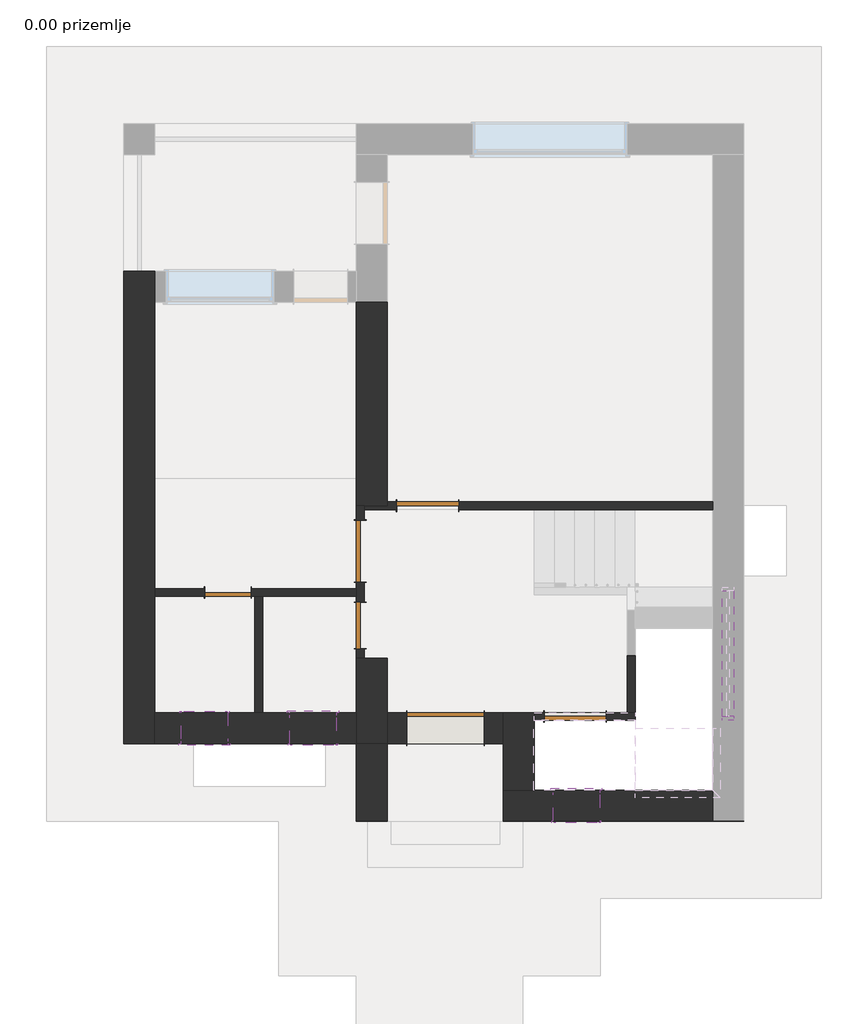
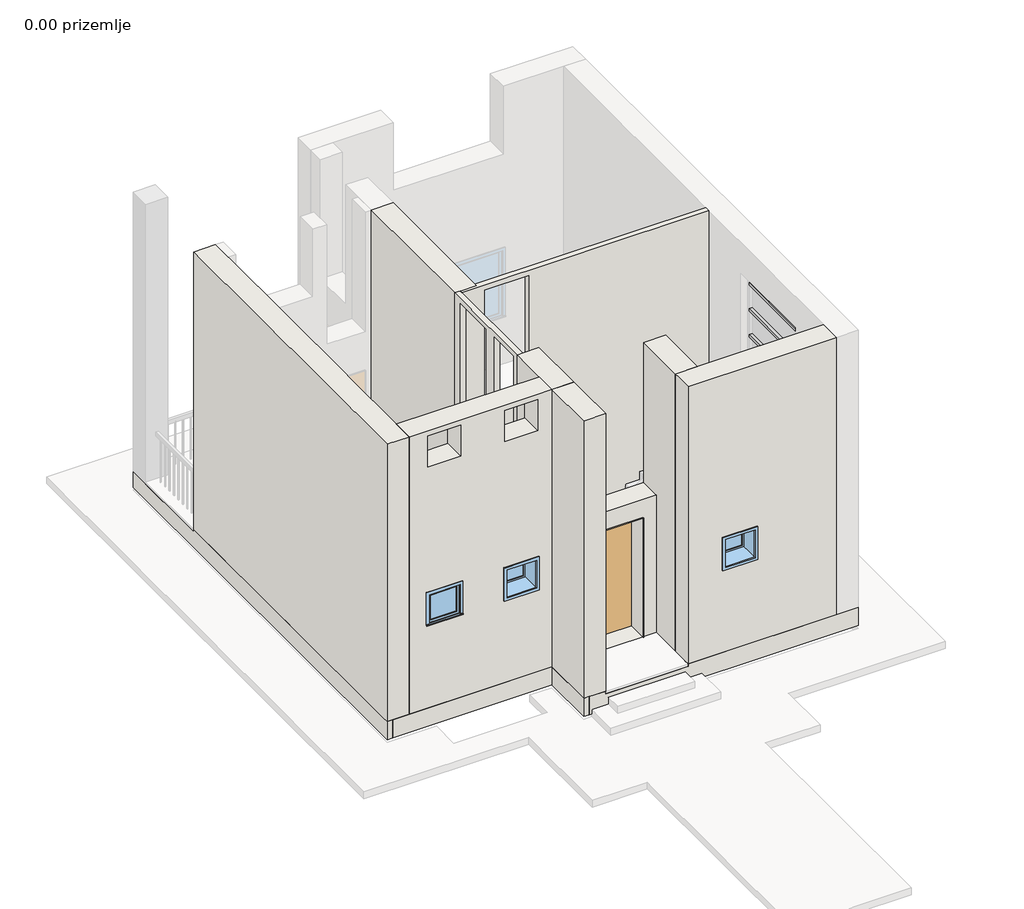
# One storey, part 1 of 2: 19 walls, 13 members, 6 doors, 3 windows.
"""IFC4 building model written with IfcOpenShell, lengths in millimetres."""

import ifcopenshell
import ifcopenshell.guid

model = None  # the IFC model being written
_history = None  # IfcOwnerHistory: only IFC2X3 demands one
_inside = {}  # id of a spatial element -> (the spatial element, [elements in it])
_under = {}  # id of a project, library or spatial element -> (it, [spatial elements below it])
_declared = {}  # id of a project -> (the project, [libraries it declares])
_typed = {}  # id of a type object -> (the type object, [elements of that type])
_made_of = {}  # id of a material, layer set ... -> (it, [elements and type objects made of it])


def new_model(schema):
    """Start an empty IFC model of exactly this schema.

    Asked for "IFC4X3", IfcOpenShell would pick the latest addendum, in which some entities
    have other attributes; the version numbers below select the first issue.
    IFC2X3 requires an IfcOwnerHistory on every rooted entity: one is made here for all.
    """
    global model, _history
    if schema == "IFC4X3":
        model = ifcopenshell.file(schema_version=(4, 3, 0, 0))
    else:
        model = ifcopenshell.file(schema=schema)
    _inside.clear()
    _under.clear()
    _declared.clear()
    _typed.clear()
    _made_of.clear()
    _history = None
    if model.schema == "IFC2X3":
        org = make("IfcOrganization", Name="unknown")
        user = make(
            "IfcPersonAndOrganization",
            ThePerson=make("IfcPerson", FamilyName="unknown"),
            TheOrganization=org,
        )
        app = make(
            "IfcApplication",
            ApplicationDeveloper=org,
            Version="unknown",
            ApplicationFullName="unknown",
            ApplicationIdentifier="unknown",
        )
        _history = make(
            "IfcOwnerHistory",
            OwningUser=user,
            OwningApplication=app,
            ChangeAction="ADDED",
            CreationDate=0,
        )
    return model


def make(cls, **values):
    """One entity of the class cls with the attributes given. An attribute that is None is left unset."""
    return model.create_entity(
        cls, **{name: value for name, value in values.items() if value is not None}
    )


def rooted(cls, **values):
    """An entity with a GlobalId (a new one), such as an element, a storey or a relation."""
    return make(cls, GlobalId=ifcopenshell.guid.new(), OwnerHistory=_history, **values)


def si_unit(unit_type, name, prefix=None):
    """IfcSIUnit, for example si_unit("LENGTHUNIT", "METRE", prefix="MILLI")."""
    return make("IfcSIUnit", UnitType=unit_type, Prefix=prefix, Name=name)


def assignment(units):
    """IfcUnitAssignment: the units of a project."""
    return None if units is None else make("IfcUnitAssignment", Units=units)


def point(xyz):
    """IfcCartesianPoint."""
    return None if xyz is None else make("IfcCartesianPoint", Coordinates=xyz)


def direction(xyz):
    """IfcDirection."""
    return None if xyz is None else make("IfcDirection", DirectionRatios=xyz)


def frame(location, z_axis=None, x_axis=None):
    """IfcAxis2Placement3D, a coordinate frame: its origin and axes. An axis left out is left unset."""
    return make(
        "IfcAxis2Placement3D",
        Location=point(location),
        Axis=direction(z_axis),
        RefDirection=direction(x_axis),
    )


def origin():
    """The frame at (0, 0, 0) with its axes left unset."""
    return frame((0.0, 0.0, 0.0))


def origin_with_axes():
    """The frame at (0, 0, 0) with the z axis (0, 0, 1) and the x axis (1, 0, 0) written out."""
    return frame((0.0, 0.0, 0.0), z_axis=(0.0, 0.0, 1.0), x_axis=(1.0, 0.0, 0.0))


def place(relative_to, where):
    """IfcLocalPlacement: puts the frame where relative to a parent placement (None: the world)."""
    return make(
        "IfcLocalPlacement", PlacementRelTo=relative_to, RelativePlacement=where
    )


def context(
    kind, dimensions, precision=None, world=None, true_north=None, identifier=None
):
    """IfcGeometricRepresentationContext, for example the 3D "Model" context."""
    return make(
        "IfcGeometricRepresentationContext",
        ContextIdentifier=identifier,
        ContextType=kind,
        CoordinateSpaceDimension=dimensions,
        Precision=precision,
        WorldCoordinateSystem=world,
        TrueNorth=true_north,
    )


def project(units=None, contexts=None):
    """IfcProject with its units and contexts."""
    return rooted(
        "IfcProject",
        Name="project",
        RepresentationContexts=contexts,
        UnitsInContext=assignment(units),
    )


def spatial(cls, under=None, at=None, **own):
    """A site, building, storey or space (cls), placed at a placement, below another one or the project."""
    s = rooted(cls, ObjectPlacement=at, **own)
    if under is not None:
        _under.setdefault(under.id(), (under, []))[1].append(s)
    return s


def polyline(points):
    """IfcPolyline through the points."""
    return make("IfcPolyline", Points=[point(p) for p in points])


def outline(outer, holes=None, kind="AREA"):
    """IfcArbitraryClosedProfileDef: a profile drawn as a closed curve; with holes, ...WithVoids."""
    if holes is None:
        return make("IfcArbitraryClosedProfileDef", ProfileType=kind, OuterCurve=outer)
    return make(
        "IfcArbitraryProfileDefWithVoids",
        ProfileType=kind,
        OuterCurve=outer,
        InnerCurves=holes,
    )


def extrude(swept, where, along, depth):
    """IfcExtrudedAreaSolid: the profile swept, set in the frame where, extruded along a direction by depth."""
    return make(
        "IfcExtrudedAreaSolid",
        SweptArea=swept,
        Position=where,
        ExtrudedDirection=direction(along),
        Depth=depth,
    )


def faces_of(points, faces, orient=None, outer=None):
    """IfcFace entities. A face is a list of loops; a loop is a list of indices into points, from 0.

    orient and outer hold one flag for each loop. By default every Orientation is true, the
    first loop of a face is its IfcFaceOuterBound and the others are IfcFaceBound.
    """
    made = []
    for i, loops in enumerate(faces):
        bounds = []
        for j, loop in enumerate(loops):
            is_outer = j == 0 if outer is None else outer[i][j]
            bounds.append(
                make(
                    "IfcFaceOuterBound" if is_outer else "IfcFaceBound",
                    Bound=make("IfcPolyLoop", Polygon=[points[k] for k in loop]),
                    Orientation=True if orient is None else orient[i][j],
                )
            )
        made.append(make("IfcFace", Bounds=bounds))
    return made


def faceted_brep(points, faces, orient=None, outer=None, voids=None):
    """IfcFacetedBrep: a solid bounded by flat faces; with voids (closed shells), ...WithVoids."""
    shared = [point(p) for p in points]
    hull = make("IfcClosedShell", CfsFaces=faces_of(shared, faces, orient, outer))
    if voids is None:
        return make("IfcFacetedBrep", Outer=hull)
    return make(
        "IfcFacetedBrepWithVoids",
        Outer=hull,
        Voids=[
            make(cls, CfsFaces=faces_of(shared, fs, o, b)) for cls, fs, o, b in voids
        ],
    )


def shape(context_of_items, identifier, shape_type, items):
    """IfcShapeRepresentation: the items that make up one representation, for example the "Body"."""
    return make(
        "IfcShapeRepresentation",
        ContextOfItems=context_of_items,
        RepresentationIdentifier=identifier,
        RepresentationType=shape_type,
        Items=items,
    )


def source(mapping_origin, context_of_items, identifier, shape_type, items):
    """IfcRepresentationMap: a shape defined once, which mapped items show again and again."""
    return make(
        "IfcRepresentationMap",
        MappingOrigin=mapping_origin,
        MappedRepresentation=shape(context_of_items, identifier, shape_type, items),
    )


def transform(
    local_origin,
    x_axis=None,
    y_axis=None,
    z_axis=None,
    scale=None,
    scale2=None,
    scale3=None,
    uniform=True,
):
    """IfcCartesianTransformationOperator3D, or its non-uniform kind. x_axis, y_axis, z_axis: its Axis1, 2, 3."""
    if uniform:
        return make(
            "IfcCartesianTransformationOperator3D",
            Axis1=direction(x_axis),
            Axis2=direction(y_axis),
            LocalOrigin=point(local_origin),
            Scale=scale,
            Axis3=direction(z_axis),
        )
    return make(
        "IfcCartesianTransformationOperator3DnonUniform",
        Axis1=direction(x_axis),
        Axis2=direction(y_axis),
        LocalOrigin=point(local_origin),
        Scale=scale,
        Axis3=direction(z_axis),
        Scale2=scale2,
        Scale3=scale3,
    )


def mapped(mapping_source, mapping_target):
    """IfcMappedItem: shows the shape of a source again, moved by a transform."""
    return make(
        "IfcMappedItem", MappingSource=mapping_source, MappingTarget=mapping_target
    )


def made_of(thing, what):
    """Note that an element or type object is made of a material, layer set ...; save() writes the relation."""
    if what is not None:
        _made_of.setdefault(what.id(), (what, []))[1].append(thing)
    return thing


def element(
    cls,
    number,
    at=None,
    inside=None,
    cuts=None,
    type_object=None,
    material=None,
    context=None,
    identifier="Body",
    shape_type=None,
    held_by="IfcProductDefinitionShape",
    body=None,
    shapes=None,
    **own,
):
    """One element of the class cls, such as IfcWall. Its Tag is "e" and its number.

    at: its placement. inside: the storey or other place that contains it. cuts: it is an
    opening in that element (IfcRelVoidsElement). A single representation is given by context,
    identifier, shape_type and body (its items); several are given by shapes. held_by: the class
    of the entity that holds the representations. save() writes the other relations.
    """
    e = rooted(cls, Tag="e%d" % number, ObjectPlacement=at, **own)
    if body is not None:
        shapes = [shape(context, identifier, shape_type, body)]
    if shapes is not None:
        e.Representation = make(held_by, Representations=shapes)
    if inside is not None:
        _inside.setdefault(inside.id(), (inside, []))[1].append(e)
    if cuts is not None:
        rooted(
            "IfcRelVoidsElement", RelatingBuildingElement=cuts, RelatedOpeningElement=e
        )
    if type_object is not None:
        _typed.setdefault(type_object.id(), (type_object, []))[1].append(e)
    return made_of(e, material)


def aggregate(whole, parts):
    """IfcRelAggregates: a whole, such as a stair, and the parts it consists of."""
    return rooted("IfcRelAggregates", RelatingObject=whole, RelatedObjects=parts)


def save(model, path):
    """Write the relations noted so far, then the file.

    IfcRelAggregates (storeys below a building ...), IfcRelContainedInSpatialStructure (elements
    in a storey), IfcRelDefinesByType, IfcRelAssociatesMaterial and IfcRelDeclares: one each for
    every whole, place, type object, material and project.
    """
    for whole, parts in _under.values():
        aggregate(whole, parts)
    for where, things in _inside.values():
        rooted(
            "IfcRelContainedInSpatialStructure",
            RelatedElements=things,
            RelatingStructure=where,
        )
    for kind, things in _typed.values():
        rooted("IfcRelDefinesByType", RelatedObjects=things, RelatingType=kind)
    for what, things in _made_of.values():
        rooted("IfcRelAssociatesMaterial", RelatedObjects=things, RelatingMaterial=what)
    for by, libraries in _declared.values():
        rooted("IfcRelDeclares", RelatingContext=by, RelatedDefinitions=libraries)
    model.write(path)


def single_flush_vrata100x230_273f2c89(model_context):
    return source(origin(), model_context, "Body", "SweptSolid", [
        extrude(outline(polyline([(2302.0, -502.0), (0.0, -502.0), (0.0, -500.0), (2300.0, -500.0), (2300.0, 500.0), (0.0, 500.0), (0.0, 502.0), (2302.0, 502.0), (2302.0, -502.0)])), frame((0.0, 200.0, 0.0), z_axis=(0.0, 1.0, 0.0), x_axis=(0.0, 0.0, 1.0)), (0.0, 0.0, 1.0), 25.4),
        extrude(outline(polyline([(2302.0, 502.0), (2302.0, -502.0), (0.0, -502.0), (0.0, -500.0), (2300.0, -500.0), (2300.0, 500.0), (0.0, 500.0), (0.0, 502.0), (2302.0, 502.0)])), frame((0.0, -225.4, 0.0), z_axis=(0.0, 1.0, 0.0), x_axis=(0.0, 0.0, 1.0)), (0.0, 0.0, 1.0), 25.4),
        extrude(outline(polyline([(500.0, 150.0), (-500.0, 150.0), (-500.0, 200.0), (500.0, 200.0), (500.0, 150.0)])), origin_with_axes(), (0.0, 0.0, 1.0), 2300.0),
    ])


def single_flush_vrata60x220_d63394dc(model_context):
    return source(origin(), model_context, "Body", "SweptSolid", [
        extrude(outline(polyline([(2202.0, -302.0), (0.0, -302.0), (0.0, -300.0), (2200.0, -300.0), (2200.0, 300.0), (0.0, 300.0), (0.0, 302.0), (2202.0, 302.0), (2202.0, -302.0)])), frame((0.0, -75.4, 0.0), z_axis=(0.0, 1.0, 0.0), x_axis=(0.0, 0.0, 1.0)), (0.0, 0.0, 1.0), 25.4),
        extrude(outline(polyline([(2202.0, 302.0), (2202.0, -302.0), (0.0, -302.0), (0.0, -300.0), (2200.0, -300.0), (2200.0, 300.0), (0.0, 300.0), (0.0, 302.0), (2202.0, 302.0)])), frame((0.0, 50.0, 0.0), z_axis=(0.0, 1.0, 0.0), x_axis=(0.0, 0.0, 1.0)), (0.0, 0.0, 1.0), 25.4),
        extrude(outline(polyline([(300.0, 0.0), (300.0, -50.0), (-300.0, -50.0), (-300.0, 0.0), (300.0, 0.0)])), origin_with_axes(), (0.0, 0.0, 1.0), 2200.0),
    ])


def single_flush_vrata60x220_a317b23c(model_context):
    return source(origin(), model_context, "Body", "SweptSolid", [
        extrude(outline(polyline([(2202.0, -302.0), (0.0, -302.0), (0.0, -300.0), (2200.0, -300.0), (2200.0, 300.0), (0.0, 300.0), (0.0, 302.0), (2202.0, 302.0), (2202.0, -302.0)])), frame((0.0, 50.0, 0.0), z_axis=(0.0, 1.0, 0.0), x_axis=(0.0, 0.0, 1.0)), (0.0, 0.0, 1.0), 25.4),
        extrude(outline(polyline([(2202.0, 302.0), (2202.0, -302.0), (0.0, -302.0), (0.0, -300.0), (2200.0, -300.0), (2200.0, 300.0), (0.0, 300.0), (0.0, 302.0), (2202.0, 302.0)])), frame((0.0, -75.4, 0.0), z_axis=(0.0, 1.0, 0.0), x_axis=(0.0, 0.0, 1.0)), (0.0, 0.0, 1.0), 25.4),
        extrude(outline(polyline([(300.0, 0.0), (-300.0, 0.0), (-300.0, 50.0), (300.0, 50.0), (300.0, 0.0)])), origin_with_axes(), (0.0, 0.0, 1.0), 2200.0),
    ])


def single_flush_vrata80x200_55f922bd(model_context):
    return source(origin(), model_context, "Body", "SweptSolid", [
        extrude(outline(polyline([(2002.0, -402.0), (0.0, -402.0), (0.0, -400.0), (2000.0, -400.0), (2000.0, 400.0), (0.0, 400.0), (0.0, 402.0), (2002.0, 402.0), (2002.0, -402.0)])), frame((0.0, 50.0, 0.0), z_axis=(0.0, 1.0, 0.0), x_axis=(0.0, 0.0, 1.0)), (0.0, 0.0, 1.0), 25.4),
        extrude(outline(polyline([(2002.0, 402.0), (2002.0, -402.0), (0.0, -402.0), (0.0, -400.0), (2000.0, -400.0), (2000.0, 400.0), (0.0, 400.0), (0.0, 402.0), (2002.0, 402.0)])), frame((0.0, -75.4, 0.0), z_axis=(0.0, 1.0, 0.0), x_axis=(0.0, 0.0, 1.0)), (0.0, 0.0, 1.0), 25.4),
        extrude(outline(polyline([(400.0, 0.0), (-400.0, 0.0), (-400.0, 50.0), (400.0, 50.0), (400.0, 0.0)])), origin_with_axes(), (0.0, 0.0, 1.0), 2000.0),
    ])


def single_flush_vrata80x220_3128ffc9(model_context):
    return source(origin(), model_context, "Body", "SweptSolid", [
        extrude(outline(polyline([(2202.0, -402.0), (0.0, -402.0), (0.0, -400.0), (2200.0, -400.0), (2200.0, 400.0), (0.0, 400.0), (0.0, 402.0), (2202.0, 402.0), (2202.0, -402.0)])), frame((0.0, -75.4, 0.0), z_axis=(0.0, 1.0, 0.0), x_axis=(0.0, 0.0, 1.0)), (0.0, 0.0, 1.0), 25.4),
        extrude(outline(polyline([(2202.0, 402.0), (2202.0, -402.0), (0.0, -402.0), (0.0, -400.0), (2200.0, -400.0), (2200.0, 400.0), (0.0, 400.0), (0.0, 402.0), (2202.0, 402.0)])), frame((0.0, 50.0, 0.0), z_axis=(0.0, 1.0, 0.0), x_axis=(0.0, 0.0, 1.0)), (0.0, 0.0, 1.0), 25.4),
        extrude(outline(polyline([(400.0, 0.0), (400.0, -50.0), (-400.0, -50.0), (-400.0, 0.0), (400.0, 0.0)])), origin_with_axes(), (0.0, 0.0, 1.0), 2200.0),
    ])


def single_flush_vrata80x220_33ab5699(model_context):
    return source(origin(), model_context, "Body", "SweptSolid", [
        extrude(outline(polyline([(2202.0, -402.0), (0.0, -402.0), (0.0, -400.0), (2200.0, -400.0), (2200.0, 400.0), (0.0, 400.0), (0.0, 402.0), (2202.0, 402.0), (2202.0, -402.0)])), frame((0.0, 50.0, 0.0), z_axis=(0.0, 1.0, 0.0), x_axis=(0.0, 0.0, 1.0)), (0.0, 0.0, 1.0), 25.4),
        extrude(outline(polyline([(2202.0, 402.0), (2202.0, -402.0), (0.0, -402.0), (0.0, -400.0), (2200.0, -400.0), (2200.0, 400.0), (0.0, 400.0), (0.0, 402.0), (2202.0, 402.0)])), frame((0.0, -75.4, 0.0), z_axis=(0.0, 1.0, 0.0), x_axis=(0.0, 0.0, 1.0)), (0.0, 0.0, 1.0), 25.4),
        extrude(outline(polyline([(400.0, 0.0), (-400.0, 0.0), (-400.0, 50.0), (400.0, 50.0), (400.0, 0.0)])), origin_with_axes(), (0.0, 0.0, 1.0), 2200.0),
    ])


def rectangular_mullion_rectangular_mullion_1_d5096e64(model_context):
    return source(origin(), model_context, "Body", "SweptSolid", [
        extrude(outline(polyline([(25.0, 75.0), (25.0, -75.0), (-25.0, -75.0), (-25.0, 75.0), (25.0, 75.0)])), frame((0.0, 0.0, -1620.0), z_axis=(0.0, 0.0, 1.0), x_axis=(1.0, 0.0, 0.0)), (0.0, 0.0, 1.0), 1620.0),
    ])


def rectangular_mullion_rectangular_mullion_1_f3f87aca(model_context):
    return source(origin(), model_context, "Body", "SweptSolid", [
        extrude(outline(polyline([(0.0, 75.0), (0.0, -75.0), (-50.0, -75.0), (-50.0, 75.0), (0.0, 75.0)])), frame((0.0, 0.0, -1620.0), z_axis=(0.0, 0.0, 1.0), x_axis=(1.0, 0.0, 0.0)), (0.0, 0.0, 1.0), 1620.0),
    ])


def rectangular_mullion_rectangular_mullion_1_b3666dbd(model_context):
    return source(origin(), model_context, "Body", "SweptSolid", [
        extrude(outline(polyline([(0.0, 75.0), (0.0, -75.0), (-50.0, -75.0), (-50.0, 75.0), (0.0, 75.0)])), frame((0.0, 0.0, -500.0), z_axis=(0.0, 0.0, 1.0), x_axis=(1.0, 0.0, 0.0)), (0.0, 0.0, 1.0), 500.0),
    ])


def rectangular_mullion_rectangular_mullion_1_5b5377e9(model_context):
    return source(origin(), model_context, "Body", "SweptSolid", [
        extrude(outline(polyline([(0.0, 75.0), (0.0, -75.0), (-50.0, -75.0), (-50.0, 75.0), (0.0, 75.0)])), frame((0.0, 0.0, -525.0), z_axis=(0.0, 0.0, 1.0), x_axis=(1.0, 0.0, 0.0)), (0.0, 0.0, 1.0), 525.0),
    ])


def rectangular_mullion_rectangular_mullion_1_28630d98(model_context):
    return source(origin(), model_context, "Body", "SweptSolid", [
        extrude(outline(polyline([(0.0, 75.0), (0.0, -75.0), (-50.0, -75.0), (-50.0, 75.0), (0.0, 75.0)])), frame((0.0, 0.0, -215.0), z_axis=(0.0, 0.0, 1.0), x_axis=(1.0, 0.0, 0.0)), (0.0, 0.0, 1.0), 215.0),
    ])


def casement_with_trim_ca45551f(model_context):
    return source(origin(), model_context, "Body", "SweptSolid", [
        extrude(outline(polyline([(-330.95, 225.2), (330.95, 225.2), (330.95, 200.0), (-330.95, 200.0), (-330.95, 225.2)])), frame((0.0, 0.0, 900.0), z_axis=(0.0, 0.0, 1.0), x_axis=(1.0, 0.0, 0.0)), (0.0, 0.0, 1.0), 19.05),
        extrude(outline(polyline([(1480.95, -280.95), (1480.95, 280.95), (919.05, 280.95), (919.05, 330.95), (1530.95, 330.95), (1530.95, -330.95), (919.05, -330.95), (919.05, -280.95), (1480.95, -280.95)])), frame((0.0, 200.0, 0.0), z_axis=(0.0, 1.0, 0.0), x_axis=(0.0, 0.0, 1.0)), (0.0, 0.0, 1.0), 12.5),
        extrude(outline(polyline([(1518.25, 318.25), (1518.25, -318.25), (881.75, -318.25), (881.75, 318.25), (1518.25, 318.25)]), holes=[polyline([(1468.25, 268.25), (931.75, 268.25), (931.75, -268.25), (1468.25, -268.25), (1468.25, 268.25)])]), frame((0.0, -220.0, 0.0), z_axis=(0.0, 1.0, 0.0), x_axis=(0.0, 0.0, 1.0)), (0.0, 0.0, 1.0), 20.0),
        extrude(outline(polyline([(236.5, 151.425), (-236.5, 151.425), (-236.5, 164.125), (236.5, 164.125), (236.5, 151.425)])), frame((0.0, 0.0, 963.5), z_axis=(0.0, 0.0, 1.0), x_axis=(1.0, 0.0, 0.0)), (0.0, 0.0, 1.0), 473.0),
        extrude(outline(polyline([(1480.95, -280.95), (919.05, -280.95), (919.05, 280.95), (1480.95, 280.95), (1480.95, -280.95)]), holes=[polyline([(1436.5, -236.5), (1436.5, 236.5), (963.5, 236.5), (963.5, -236.5), (1436.5, -236.5)])]), frame((0.0, 135.55, 0.0), z_axis=(0.0, 1.0, 0.0), x_axis=(0.0, 0.0, 1.0)), (0.0, 0.0, 1.0), 44.45),
        extrude(outline(polyline([(1500.0, -300.0), (900.0, -300.0), (900.0, 300.0), (1500.0, 300.0), (1500.0, -300.0)]), holes=[polyline([(1468.25, -268.25), (1468.25, 268.25), (931.75, 268.25), (931.75, -268.25), (1468.25, -268.25)])]), frame((0.0, -200.0, 0.0), z_axis=(0.0, 1.0, 0.0), x_axis=(0.0, 0.0, 1.0)), (0.0, 0.0, 1.0), 335.55),
        extrude(outline(polyline([(1500.0, 300.0), (1500.0, -300.0), (900.0, -300.0), (900.0, 300.0), (1500.0, 300.0)]), holes=[polyline([(1480.95, 280.95), (919.05, 280.95), (919.05, -280.95), (1480.95, -280.95), (1480.95, 280.95)])]), frame((0.0, 135.55, 0.0), z_axis=(0.0, 1.0, 0.0), x_axis=(0.0, 0.0, 1.0)), (0.0, 0.0, 1.0), 64.45),
    ])


model = new_model("IFC4")

# Units and contexts
model_context = context("Model", 3, world=origin())
ifc_project = project(units=[si_unit("LENGTHUNIT", "METRE", prefix="MILLI")], contexts=[model_context])

# Site, building, storey
site = spatial("IfcSite", under=ifc_project)
building = spatial("IfcBuilding", under=site)
storey = spatial("IfcBuildingStorey", under=building, Name="0.00 prizemlje", Elevation=0.0)

# Doors
placement = place(None, origin())
single_flush_vrata100x230_shape = single_flush_vrata100x230_273f2c89(model_context)
element("IfcDoor", 1, ObjectType="Single-Flush : vrata100x230", at=placement, inside=storey, context=model_context, shape_type="MappedRepresentation", body=[
    mapped(single_flush_vrata100x230_shape, transform((3005.1809005, -871.8408405, 0.0), x_axis=(1.0, 0.0, 0.0), y_axis=(0.0, 1.0, 0.0), z_axis=(0.0, 0.0, 1.0))),
])
single_flush_vrata60x220_shape = single_flush_vrata60x220_d63394dc(model_context)
element("IfcDoor", 2, ObjectType="Single-Flush : vrata60x220", at=placement, inside=storey, context=model_context, shape_type="MappedRepresentation", body=[
    mapped(single_flush_vrata60x220_shape, transform((195.1809005, 878.1591595, 0.0), x_axis=(1.0, 0.0, 0.0), y_axis=(0.0, 1.0, 0.0), z_axis=(0.0, 0.0, 1.0))),
])
single_flush_vrata60x220_2_shape = single_flush_vrata60x220_a317b23c(model_context)
element("IfcDoor", 3, ObjectType="Single-Flush : vrata60x220", at=placement, inside=storey, context=model_context, shape_type="MappedRepresentation", body=[
    mapped(single_flush_vrata60x220_2_shape, transform((1905.1809005, 453.1591595, 0.0), x_axis=(0.0, 1.0, 0.0), y_axis=(-1.0, 0.0, 0.0), z_axis=(0.0, 0.0, 1.0))),
])
single_flush_vrata80x200_shape = single_flush_vrata80x200_55f922bd(model_context)
element("IfcDoor", 4, ObjectType="Single-Flush : vrata80x200", at=placement, inside=storey, context=model_context, shape_type="MappedRepresentation", body=[
    mapped(single_flush_vrata80x200_shape, transform((4680.1809005, -721.8408405, 0.0), x_axis=(-1.0, 0.0, 0.0), y_axis=(0.0, -1.0, 0.0), z_axis=(0.0, 0.0, 1.0))),
])
single_flush_vrata80x220_shape = single_flush_vrata80x220_3128ffc9(model_context)
element("IfcDoor", 5, ObjectType="Single-Flush : vrata80x220", at=placement, inside=storey, context=model_context, shape_type="MappedRepresentation", body=[
    mapped(single_flush_vrata80x220_shape, transform((2775.1809005, 1998.1591595, 0.0), x_axis=(-1.0, 0.0, 0.0), y_axis=(0.0, -1.0, 0.0), z_axis=(0.0, 0.0, 1.0))),
])
single_flush_vrata80x220_2_shape = single_flush_vrata80x220_33ab5699(model_context)
element("IfcDoor", 6, ObjectType="Single-Flush : vrata80x220", at=placement, inside=storey, context=model_context, shape_type="MappedRepresentation", body=[
    mapped(single_flush_vrata80x220_2_shape, transform((1905.1809005, 1413.1591595, 0.0), x_axis=(0.0, 1.0, 0.0), y_axis=(-1.0, 0.0, 0.0), z_axis=(0.0, 0.0, 1.0))),
])

# Members
rectangular_mullion_rectangular_mullion_1_shape = rectangular_mullion_rectangular_mullion_1_d5096e64(model_context)
element("IfcMember", 7, ObjectType="Rectangular Mullion : Rectangular Mullion 1", at=placement, inside=storey, context=model_context, shape_type="MappedRepresentation", body=[
    mapped(rectangular_mullion_rectangular_mullion_1_shape, transform((6655.1809005, -721.8408405, 4025.0), x_axis=(0.0, 0.0, 1.0), y_axis=(-1.0, 0.0, 0.0), z_axis=(0.0, -1.0, 0.0))),
])
element("IfcMember", 8, ObjectType="Rectangular Mullion : Rectangular Mullion 1", at=placement, inside=storey, context=model_context, shape_type="MappedRepresentation", body=[
    mapped(rectangular_mullion_rectangular_mullion_1_shape, transform((6655.1809005, -721.8408405, 3025.0), x_axis=(0.0, 0.0, 1.0), y_axis=(-1.0, 0.0, 0.0), z_axis=(0.0, -1.0, 0.0))),
])
element("IfcMember", 9, ObjectType="Rectangular Mullion : Rectangular Mullion 1", at=placement, inside=storey, context=model_context, shape_type="MappedRepresentation", body=[
    mapped(rectangular_mullion_rectangular_mullion_1_shape, transform((6655.1809005, -721.8408405, 3525.0), x_axis=(0.0, 0.0, 1.0), y_axis=(-1.0, 0.0, 0.0), z_axis=(0.0, -1.0, 0.0))),
])
element("IfcMember", 10, ObjectType="Rectangular Mullion : Rectangular Mullion 1", at=placement, inside=storey, context=model_context, shape_type="MappedRepresentation", body=[
    mapped(rectangular_mullion_rectangular_mullion_1_shape, transform((6655.1809005, -721.8408405, 2525.0), x_axis=(0.0, 0.0, 1.0), y_axis=(-1.0, 0.0, 0.0), z_axis=(0.0, -1.0, 0.0))),
])
element("IfcMember", 11, ObjectType="Rectangular Mullion : Rectangular Mullion 1", at=placement, inside=storey, context=model_context, shape_type="MappedRepresentation", body=[
    mapped(rectangular_mullion_rectangular_mullion_1_shape, transform((6655.1809005, -721.8408405, 4525.0), x_axis=(0.0, 0.0, 1.0), y_axis=(-1.0, 0.0, 0.0), z_axis=(0.0, -1.0, 0.0))),
])
rectangular_mullion_rectangular_mullion_1_2_shape = rectangular_mullion_rectangular_mullion_1_f3f87aca(model_context)
element("IfcMember", 12, ObjectType="Rectangular Mullion : Rectangular Mullion 1", at=placement, inside=storey, context=model_context, shape_type="MappedRepresentation", body=[
    mapped(rectangular_mullion_rectangular_mullion_1_2_shape, transform((6655.1809005, 898.1591595, 2000.0), x_axis=(0.0, 0.0, -1.0), y_axis=(-1.0, 0.0, 0.0), z_axis=(0.0, 1.0, 0.0))),
])
element("IfcMember", 13, ObjectType="Rectangular Mullion : Rectangular Mullion 1", at=placement, inside=storey, context=model_context, shape_type="MappedRepresentation", body=[
    mapped(rectangular_mullion_rectangular_mullion_1_2_shape, transform((6655.1809005, -721.8408405, 4740.0), x_axis=(0.0, 0.0, 1.0), y_axis=(-1.0, 0.0, 0.0), z_axis=(0.0, -1.0, 0.0))),
])
rectangular_mullion_rectangular_mullion_1_3_shape = rectangular_mullion_rectangular_mullion_1_b3666dbd(model_context)
element("IfcMember", 14, ObjectType="Rectangular Mullion : Rectangular Mullion 1", at=placement, inside=storey, context=model_context, shape_type="MappedRepresentation", body=[
    mapped(rectangular_mullion_rectangular_mullion_1_3_shape, transform((6655.1809005, -771.8408405, 3025.0), x_axis=(0.0, -1.0, 0.0), y_axis=(-1.0, 0.0, 0.0), z_axis=(0.0, 0.0, -1.0))),
])
element("IfcMember", 15, ObjectType="Rectangular Mullion : Rectangular Mullion 1", at=placement, inside=storey, context=model_context, shape_type="MappedRepresentation", body=[
    mapped(rectangular_mullion_rectangular_mullion_1_3_shape, transform((6655.1809005, -771.8408405, 3525.0), x_axis=(0.0, -1.0, 0.0), y_axis=(-1.0, 0.0, 0.0), z_axis=(0.0, 0.0, -1.0))),
])
element("IfcMember", 16, ObjectType="Rectangular Mullion : Rectangular Mullion 1", at=placement, inside=storey, context=model_context, shape_type="MappedRepresentation", body=[
    mapped(rectangular_mullion_rectangular_mullion_1_3_shape, transform((6655.1809005, -771.8408405, 2525.0), x_axis=(0.0, -1.0, 0.0), y_axis=(-1.0, 0.0, 0.0), z_axis=(0.0, 0.0, -1.0))),
])
element("IfcMember", 17, ObjectType="Rectangular Mullion : Rectangular Mullion 1", at=placement, inside=storey, context=model_context, shape_type="MappedRepresentation", body=[
    mapped(rectangular_mullion_rectangular_mullion_1_3_shape, transform((6655.1809005, -771.8408405, 4025.0), x_axis=(0.0, -1.0, 0.0), y_axis=(-1.0, 0.0, 0.0), z_axis=(0.0, 0.0, -1.0))),
])
rectangular_mullion_rectangular_mullion_1_4_shape = rectangular_mullion_rectangular_mullion_1_5b5377e9(model_context)
element("IfcMember", 18, ObjectType="Rectangular Mullion : Rectangular Mullion 1", at=placement, inside=storey, context=model_context, shape_type="MappedRepresentation", body=[
    mapped(rectangular_mullion_rectangular_mullion_1_4_shape, transform((6655.1809005, -771.8408405, 2000.0), x_axis=(0.0, -1.0, 0.0), y_axis=(-1.0, 0.0, 0.0), z_axis=(0.0, 0.0, -1.0))),
])
rectangular_mullion_rectangular_mullion_1_5_shape = rectangular_mullion_rectangular_mullion_1_28630d98(model_context)
element("IfcMember", 19, ObjectType="Rectangular Mullion : Rectangular Mullion 1", at=placement, inside=storey, context=model_context, shape_type="MappedRepresentation", body=[
    mapped(rectangular_mullion_rectangular_mullion_1_5_shape, transform((6655.1809005, -771.8408405, 4525.0), x_axis=(0.0, -1.0, 0.0), y_axis=(-1.0, 0.0, 0.0), z_axis=(0.0, 0.0, -1.0))),
])

# Walls
element("IfcWall", 20, at=placement, inside=storey, context=model_context, shape_type="Brep", body=[
    faceted_brep([(-1144.8190995, 6928.1591595, -350.0), (-1144.8190995, -1071.8408405, -350.0), (-1144.8190995, -1071.8408405, 0.0), (-1144.8190995, 5028.1591595, 0.0), (-1144.8190995, 5028.1591595, -50.0), (-1144.8190995, 6928.1591595, -50.0), (-1044.8190995, 6928.1591595, -350.0), (-1044.8190995, 6928.1591595, -50.0), (-1044.8190995, 6828.1591595, -50.0), (-1044.8190995, 5028.1591595, -50.0), (-1044.8190995, 5028.1591595, 0.0), (-1044.8190995, -971.8408405, 0.0), (-1044.8190995, -1071.8408405, 0.0), (-1044.8190995, -1071.8408405, -350.0), (-1044.8190995, -971.8408405, -350.0), (-1044.8190995, 6828.1591595, -350.0)], [[[0, 1, 2, 3, 4, 5]], [[6, 7, 8, 9, 10, 11, 12, 13, 14, 15]], [[0, 5, 7, 6]], [[2, 1, 13, 12]], [[1, 0, 6, 15, 14, 13]], [[3, 2, 12, 11, 10]], [[4, 3, 10, 9]], [[5, 4, 9, 8, 7]]]),
])
element("IfcWall", 21, at=placement, inside=storey, context=model_context, shape_type="Brep", body=[
    faceted_brep([(1955.1809005, -2071.8408405, -350.0), (6855.1809005, -2071.8408405, -350.0), (6855.1809005, -2071.8408405, 0.0), (3755.1809005, -2071.8408405, 0.0), (3755.1809005, -2071.8408405, -50.0), (2255.1809005, -2071.8408405, -50.0), (2255.1809005, -2071.8408405, 0.0), (1955.1809005, -2071.8408405, 0.0), (1955.1809005, -1971.8408405, -350.0), (1955.1809005, -1971.8408405, 0.0), (2255.1809005, -1971.8408405, 0.0), (2255.1809005, -1971.8408405, -50.0), (3755.1809005, -1971.8408405, -50.0), (3755.1809005, -1971.8408405, 0.0), (6755.1809005, -1971.8408405, 0.0), (6855.1809005, -1971.8408405, 0.0), (6855.1809005, -1971.8408405, -350.0), (6755.1809005, -1971.8408405, -350.0)], [[[0, 1, 2, 3, 4, 5, 6, 7]], [[8, 9, 10, 11, 12, 13, 14, 15, 16, 17]], [[2, 1, 16, 15]], [[0, 7, 9, 8]], [[1, 0, 8, 17, 16]], [[3, 2, 15, 14, 13]], [[4, 3, 13, 12]], [[5, 4, 12, 11]], [[6, 5, 11, 10]], [[7, 6, 10, 9]]]),
])
element("IfcWall", 22, at=placement, inside=storey, context=model_context, shape_type="Brep", body=[
    faceted_brep([(-1044.8190995, -1071.8408405, -350.0), (1855.1809005, -1071.8408405, -350.0), (1955.1809005, -1071.8408405, -350.0), (1955.1809005, -1071.8408405, 0.0), (1855.1809005, -1071.8408405, 0.0), (-1044.8190995, -1071.8408405, 0.0), (-1044.8190995, -971.8408405, -350.0), (-1044.8190995, -971.8408405, 0.0), (1955.1809005, -971.8408405, 0.0), (1955.1809005, -971.8408405, -350.0)], [[[0, 1, 2, 3, 4, 5]], [[6, 7, 8, 9]], [[2, 1, 0, 6, 9]], [[5, 4, 3, 8, 7]], [[0, 5, 7, 6]], [[3, 2, 9, 8]]]),
])
element("IfcWall", 23, at=placement, inside=storey, context=model_context, shape_type="Brep", body=[
    faceted_brep([(1855.1809005, -1071.8408405, -350.0), (1855.1809005, -2071.8408405, -350.0), (1855.1809005, -2071.8408405, 0.0), (1855.1809005, -1071.8408405, 0.0), (1955.1809005, -1071.8408405, -350.0), (1955.1809005, -1071.8408405, 0.0), (1955.1809005, -1971.8408405, 0.0), (1955.1809005, -2071.8408405, 0.0), (1955.1809005, -2071.8408405, -350.0), (1955.1809005, -1971.8408405, -350.0)], [[[0, 1, 2, 3]], [[4, 5, 6, 7, 8, 9]], [[1, 0, 4, 9, 8]], [[3, 2, 7, 6, 5]], [[0, 3, 5, 4]], [[2, 1, 8, 7]]]),
])
element("IfcWall", 24, at=placement, inside=storey, context=model_context, shape_type="Brep", body=[
    faceted_brep([(6455.1809005, -1671.8408405, 0.0), (4155.1809005, -1671.8408405, 0.0), (3755.1809005, -1671.8408405, 0.0), (3755.1809005, -1671.8408405, 3040.0), (3755.1809005, -1671.8408405, 5340.0), (4155.1809005, -1671.8408405, 5340.0), (6455.1809005, -1671.8408405, 5340.0), (4995.1809005, -1671.8408405, 2200.0), (4395.1809005, -1671.8408405, 2200.0), (4395.1809005, -1671.8408405, 1600.0), (4995.1809005, -1671.8408405, 1600.0), (6455.1809005, -2071.8408405, 0.0), (6455.1809005, -2071.8408405, 5340.0), (3755.1809005, -2071.8408405, 5340.0), (3755.1809005, -2071.8408405, 0.0), (4995.1809005, -2071.8408405, 2200.0), (4995.1809005, -2071.8408405, 1600.0), (4395.1809005, -2071.8408405, 1600.0), (4395.1809005, -2071.8408405, 2200.0), (6455.1809005, -1971.8408405, 0.0), (3755.1809005, -1771.8408405, 5340.0)], [[[0, 1, 2, 3, 4, 5, 6], [7, 8, 9, 10]], [[11, 12, 13, 14], [15, 16, 17, 18]], [[2, 1, 0, 19, 11, 14]], [[0, 6, 12, 11, 19]], [[16, 15, 7, 10]], [[17, 16, 10, 9]], [[18, 17, 9, 8]], [[15, 18, 8, 7]], [[2, 14, 13, 20, 4, 3]], [[6, 5, 4, 20, 13, 12]]]),
])
element("IfcWall", 25, at=placement, inside=storey, context=model_context, shape_type="Brep", body=[
    faceted_brep([(2255.1809005, -2071.8408405, 0.0), (2255.1809005, -1971.8408405, 0.0), (2255.1809005, -1971.8408405, -50.0), (2255.1809005, -1671.8408405, -50.0), (2255.1809005, -1071.8408405, -50.0), (2255.1809005, -1071.8408405, 5340.0), (2255.1809005, -1671.8408405, 5340.0), (2255.1809005, -1771.8408405, 5340.0), (2255.1809005, -2071.8408405, 5340.0), (1855.1809005, -2071.8408405, 0.0), (1855.1809005, -2071.8408405, 5340.0), (1855.1809005, -1071.8408405, 5340.0), (1855.1809005, -1071.8408405, 0.0), (1855.1809005, -1971.8408405, 0.0), (1955.1809005, -2071.8408405, 0.0), (1955.1809005, -1971.8408405, 0.0), (1955.1809005, -1071.8408405, 0.0), (1955.1809005, -1071.8408405, -50.0), (1955.1809005, -1971.8408405, -50.0)], [[[0, 1, 2, 3, 4, 5, 6, 7, 8]], [[9, 10, 11, 12, 13]], [[0, 8, 10, 9, 14]], [[15, 16, 17, 18]], [[1, 0, 14, 15]], [[1, 15, 18, 2]], [[13, 12, 16, 15]], [[14, 9, 13, 15]], [[4, 3, 2, 18, 17]], [[4, 17, 16, 12, 11, 5]], [[8, 7, 6, 5, 11, 10]]]),
])
element("IfcWall", 26, at=placement, inside=storey, context=model_context, shape_type="Brep", body=[
    faceted_brep([(-744.8190995, -1071.8408405, 0.0), (-744.8190995, -971.8408405, 0.0), (-744.8190995, -971.8408405, -50.0), (-744.8190995, -671.8408405, -50.0), (-744.8190995, 4628.1591595, -50.0), (-744.8190995, 5028.1591595, -50.0), (-744.8190995, 5028.1591595, 5340.0), (-744.8190995, 4628.1591595, 5340.0), (-744.8190995, 928.1591595, 5340.0), (-744.8190995, 828.1591595, 5340.0), (-744.8190995, -671.8408405, 5340.0), (-744.8190995, -1071.8408405, 5340.0), (-1144.8190995, -1071.8408405, 0.0), (-1144.8190995, -1071.8408405, 5340.0), (-1144.8190995, 5028.1591595, 5340.0), (-1144.8190995, 5028.1591595, 0.0), (-1144.8190995, -971.8408405, 0.0), (-1044.8190995, 5028.1591595, -50.0), (-1044.8190995, 5028.1591595, 0.0), (-1044.8190995, -971.8408405, 0.0), (-1044.8190995, -971.8408405, -50.0), (-1044.8190995, -1071.8408405, 0.0)], [[[0, 1, 2, 3, 4, 5, 6, 7, 8, 9, 10, 11]], [[12, 13, 14, 15, 16]], [[6, 5, 17, 18, 15, 14]], [[1, 19, 20, 2]], [[0, 11, 13, 12, 21]], [[19, 16, 15, 18]], [[19, 18, 17, 20]], [[1, 0, 21, 19]], [[21, 12, 16, 19]], [[5, 4, 3, 2, 20, 17]], [[11, 10, 9, 8, 7, 6, 14, 13]]]),
])
element("IfcWall", 27, at=placement, inside=storey, context=model_context, shape_type="Brep", body=[
    faceted_brep([(1855.1809005, 4628.1591595, -50.0), (1855.1809005, 1998.1591595, -50.0), (1855.1809005, 1998.1591595, 0.0), (1855.1809005, 1998.1591595, 5340.0), (1855.1809005, 4628.1591595, 5340.0), (2255.1809005, 4628.1591595, -50.0), (2255.1809005, 4628.1591595, 5340.0), (2255.1809005, 2048.1591595, 5340.0), (2255.1809005, 1998.1591595, 5340.0), (2255.1809005, 1998.1591595, 0.0), (2255.1809005, 1998.1591595, -50.0), (2255.1809005, 2348.1591595, -50.0), (1955.1809005, 1998.1591595, 5340.0)], [[[0, 1, 2, 3, 4]], [[5, 6, 7, 8, 9, 10, 11]], [[3, 2, 1, 10, 9, 8, 12]], [[0, 4, 6, 5]], [[1, 0, 5, 11, 10]], [[4, 3, 12, 8, 7, 6]]]),
])
element("IfcWall", 28, at=placement, inside=storey, context=model_context, shape_type="Brep", body=[
    faceted_brep([(4155.1809005, -1671.8408405, 5340.0), (4155.1809005, -1671.8408405, 0.0), (4155.1809005, -671.8408405, 0.0), (4155.1809005, -671.8408405, 2658.4013186), (4155.1809005, -671.8408405, 5340.0), (3755.1809005, -1671.8408405, 0.0), (3755.1809005, -1671.8408405, 5340.0), (3755.1809005, -671.8408405, 5340.0), (3755.1809005, -671.8408405, 2640.0), (3755.1809005, -671.8408405, 0.0)], [[[0, 1, 2, 3, 4]], [[5, 6, 7, 8, 9]], [[2, 1, 5, 9]], [[4, 3, 2, 9, 8, 7]], [[0, 6, 5, 1]], [[0, 4, 7, 6]]]),
])
element("IfcWall", 29, at=placement, inside=storey, context=model_context, shape_type="Brep", body=[
    faceted_brep([(-744.8190995, -671.8408405, -50.0), (-744.8190995, -671.8408405, 5340.0), (1855.1809005, -671.8408405, 5340.0), (1855.1809005, -671.8408405, -50.0), (-404.8190995, -671.8408405, 2200.0), (-404.8190995, -671.8408405, 1600.0), (195.1809005, -671.8408405, 1600.0), (195.1809005, -671.8408405, 2200.0), (1595.1809005, -671.8408405, 1600.0), (1595.1809005, -671.8408405, 2200.0), (995.1809005, -671.8408405, 2200.0), (995.1809005, -671.8408405, 1600.0), (-404.8190995, -671.8408405, 4640.0), (195.1809005, -671.8408405, 4640.0), (195.1809005, -671.8408405, 5240.0), (-404.8190995, -671.8408405, 5240.0), (1595.1809005, -671.8408405, 4640.0), (1595.1809005, -671.8408405, 5240.0), (995.1809005, -671.8408405, 5240.0), (995.1809005, -671.8408405, 4640.0), (-744.8190995, -1071.8408405, 0.0), (1855.1809005, -1071.8408405, 0.0), (1855.1809005, -1071.8408405, 5340.0), (-744.8190995, -1071.8408405, 5340.0), (-404.8190995, -1071.8408405, 1600.0), (-404.8190995, -1071.8408405, 2200.0), (195.1809005, -1071.8408405, 2200.0), (195.1809005, -1071.8408405, 1600.0), (1595.1809005, -1071.8408405, 2200.0), (1595.1809005, -1071.8408405, 1600.0), (995.1809005, -1071.8408405, 1600.0), (995.1809005, -1071.8408405, 2200.0), (195.1809005, -1071.8408405, 4640.0), (-404.8190995, -1071.8408405, 4640.0), (-404.8190995, -1071.8408405, 5240.0), (195.1809005, -1071.8408405, 5240.0), (1595.1809005, -1071.8408405, 5240.0), (1595.1809005, -1071.8408405, 4640.0), (995.1809005, -1071.8408405, 4640.0), (995.1809005, -1071.8408405, 5240.0), (-744.8190995, -971.8408405, -50.0), (-744.8190995, -971.8408405, 0.0), (1855.1809005, -971.8408405, 0.0), (1855.1809005, -971.8408405, -50.0)], [[[0, 1, 2, 3], [4, 5, 6, 7], [8, 9, 10, 11], [12, 13, 14, 15], [16, 17, 18, 19]], [[20, 21, 22, 23], [24, 25, 26, 27], [28, 29, 30, 31], [32, 33, 34, 35], [36, 37, 38, 39]], [[1, 0, 40, 41, 20, 23]], [[21, 20, 41, 42]], [[42, 41, 40, 43]], [[0, 3, 43, 40]], [[5, 4, 25, 24]], [[6, 5, 24, 27]], [[7, 6, 27, 26]], [[4, 7, 26, 25]], [[29, 28, 9, 8]], [[30, 29, 8, 11]], [[31, 30, 11, 10]], [[28, 31, 10, 9]], [[21, 42, 43, 3, 2, 22]], [[12, 33, 32, 13]], [[13, 32, 35, 14]], [[14, 35, 34, 15]], [[37, 36, 17, 16]], [[38, 37, 16, 19]], [[39, 38, 19, 18]], [[36, 39, 18, 17]], [[33, 12, 15, 34]], [[2, 1, 23, 22]]]),
])
element("IfcWall", 30, at=placement, inside=storey, context=model_context, shape_type="Brep", body=[
    faceted_brep([(3755.1809005, -671.8408405, 2640.0), (3755.1809005, -671.8408405, 0.0), (3755.1809005, -671.8408405, -50.0), (2255.1809005, -671.8408405, -50.0), (2255.1809005, -671.8408405, 2640.0), (2505.1809005, -671.8408405, 0.0), (3505.1809005, -671.8408405, 0.0), (3505.1809005, -671.8408405, 2300.0), (2505.1809005, -671.8408405, 2300.0), (3755.1809005, -1071.8408405, -50.0), (3755.1809005, -1071.8408405, 2640.0), (2255.1809005, -1071.8408405, 2640.0), (2255.1809005, -1071.8408405, 0.0), (2255.1809005, -1071.8408405, -50.0), (2505.1809005, -1071.8408405, 0.0), (2505.1809005, -1071.8408405, 2300.0), (3505.1809005, -1071.8408405, 2300.0), (3505.1809005, -1071.8408405, 0.0)], [[[0, 1, 2, 3, 4], [5, 6, 7, 8]], [[9, 10, 11, 12, 13], [14, 15, 16, 17]], [[3, 2, 9, 13]], [[4, 3, 13, 12, 11]], [[6, 5, 14, 17]], [[7, 6, 17, 16]], [[8, 7, 16, 15]], [[5, 8, 15, 14]], [[0, 10, 9, 2, 1]], [[0, 4, 11, 10]]]),
])
element("IfcWall", 31, at=placement, inside=storey, context=model_context, shape_type="Brep", body=[
    faceted_brep([(1955.1809005, 1948.1591595, 0.0), (2375.1809005, 1948.1591595, 0.0), (2375.1809005, 1948.1591595, 2200.0), (3175.1809005, 1948.1591595, 2200.0), (3175.1809005, 1948.1591595, 0.0), (6455.1809005, 1948.1591595, 0.0), (6455.1809005, 1948.1591595, 5340.0), (1955.1809005, 1948.1591595, 5340.0), (3175.1809005, 1948.1591595, 3040.0), (2375.1809005, 1948.1591595, 3040.0), (2375.1809005, 1948.1591595, 5240.0), (3175.1809005, 1948.1591595, 5240.0), (2375.1809005, 2048.1591595, 2200.0), (2375.1809005, 2048.1591595, 0.0), (2255.1809005, 2048.1591595, 0.0), (2255.1809005, 2048.1591595, 5340.0), (6455.1809005, 2048.1591595, 5340.0), (6455.1809005, 2048.1591595, 0.0), (3175.1809005, 2048.1591595, 0.0), (3175.1809005, 2048.1591595, 2200.0), (3175.1809005, 2048.1591595, 3040.0), (3175.1809005, 2048.1591595, 5240.0), (2375.1809005, 2048.1591595, 5240.0), (2375.1809005, 2048.1591595, 3040.0), (1955.1809005, 1998.1591595, 0.0), (2255.1809005, 1998.1591595, 0.0), (1955.1809005, 1998.1591595, 5340.0), (2255.1809005, 1998.1591595, 5340.0)], [[[0, 1, 2, 3, 4, 5, 6, 7], [8, 9, 10, 11]], [[12, 13, 14, 15, 16, 17, 18, 19], [20, 21, 22, 23]], [[18, 17, 5, 4]], [[14, 13, 1, 0, 24, 25]], [[6, 5, 17, 16]], [[2, 1, 13, 12]], [[3, 2, 12, 19]], [[4, 3, 19, 18]], [[0, 7, 26, 24]], [[26, 27, 25, 24]], [[27, 15, 14, 25]], [[9, 8, 20, 23]], [[10, 9, 23, 22]], [[11, 10, 22, 21]], [[8, 11, 21, 20]], [[7, 6, 16, 15, 27, 26]]]),
])
element("IfcWall", 32, at=placement, inside=storey, context=model_context, shape_type="Brep", body=[
    faceted_brep([(495.1809005, 828.1591595, 2200.0), (495.1809005, 828.1591595, 0.0), (545.1809005, 828.1591595, 0.0), (645.1809005, 828.1591595, 0.0), (1855.1809005, 828.1591595, 0.0), (1855.1809005, 828.1591595, 2640.0), (645.1809005, 828.1591595, 2640.0), (545.1809005, 828.1591595, 2640.0), (-744.8190995, 828.1591595, 2640.0), (-744.8190995, 828.1591595, 0.0), (-104.8190995, 828.1591595, 0.0), (-104.8190995, 828.1591595, 2200.0), (1855.1809005, 928.1591595, 0.0), (495.1809005, 928.1591595, 0.0), (495.1809005, 928.1591595, 2200.0), (-104.8190995, 928.1591595, 2200.0), (-104.8190995, 928.1591595, 0.0), (-744.8190995, 928.1591595, 0.0), (-744.8190995, 928.1591595, 2640.0), (1855.1809005, 928.1591595, 2640.0)], [[[0, 1, 2, 3, 4, 5, 6, 7, 8, 9, 10, 11]], [[12, 13, 14, 15, 16, 17, 18, 19]], [[10, 9, 17, 16]], [[4, 3, 2, 1, 13, 12]], [[9, 8, 18, 17]], [[5, 4, 12, 19]], [[14, 13, 1, 0]], [[15, 14, 0, 11]], [[16, 15, 11, 10]], [[8, 7, 6, 5, 19, 18]]]),
])
element("IfcWall", 33, at=placement, inside=storey, context=model_context, shape_type="SweptSolid", body=[
    extrude(outline(polyline([(545.1809005, -671.8408405), (545.1809005, 828.1591595), (645.1809005, 828.1591595), (645.1809005, -671.8408405), (545.1809005, -671.8408405)])), origin_with_axes(), (0.0, 0.0, 1.0), 2640.0),
])
element("IfcWall", 34, at=placement, inside=storey, context=model_context, shape_type="Brep", body=[
    faceted_brep([(2255.1809005, -1071.8408405, 5340.0), (2255.1809005, -1071.8408405, 2640.0), (2255.1809005, -1071.8408405, 0.0), (2255.1809005, 28.1591595, 0.0), (2255.1809005, 28.1591595, 5340.0), (1855.1809005, -1071.8408405, 0.0), (1855.1809005, -1071.8408405, 5340.0), (1855.1809005, -671.8408405, 5340.0), (1855.1809005, 28.1591595, 5340.0), (1855.1809005, 28.1591595, 0.0), (1855.1809005, -971.8408405, 0.0), (1955.1809005, -1071.8408405, 0.0), (1955.1809005, 28.1591595, 0.0), (1955.1809005, 28.1591595, 5340.0)], [[[0, 1, 2, 3, 4]], [[5, 6, 7, 8, 9, 10]], [[3, 2, 11, 5, 10, 9, 12]], [[4, 3, 12, 9, 8, 13]], [[0, 6, 5, 11, 2, 1]], [[0, 4, 13, 8, 7, 6]]]),
])
element("IfcWall", 35, at=placement, inside=storey, context=model_context, shape_type="Brep", body=[
    faceted_brep([(1855.1809005, 1013.1591595, 0.0), (1855.1809005, 928.1591595, 0.0), (1855.1809005, 828.1591595, 0.0), (1855.1809005, 753.1591595, 0.0), (1855.1809005, 753.1591595, 2200.0), (1855.1809005, 153.1591595, 2200.0), (1855.1809005, 153.1591595, 0.0), (1855.1809005, 28.1591595, 0.0), (1855.1809005, 28.1591595, 5340.0), (1855.1809005, 828.1591595, 5340.0), (1855.1809005, 928.1591595, 5340.0), (1855.1809005, 1998.1591595, 5340.0), (1855.1809005, 1998.1591595, 0.0), (1855.1809005, 1813.1591595, 0.0), (1855.1809005, 1813.1591595, 2200.0), (1855.1809005, 1013.1591595, 2200.0), (1855.1809005, 153.1591595, 3040.0), (1855.1809005, 753.1591595, 3040.0), (1855.1809005, 753.1591595, 5240.0), (1855.1809005, 153.1591595, 5240.0), (1855.1809005, 1013.1591595, 3040.0), (1855.1809005, 1813.1591595, 3040.0), (1855.1809005, 1813.1591595, 5240.0), (1855.1809005, 1013.1591595, 5240.0), (1955.1809005, 753.1591595, 2200.0), (1955.1809005, 753.1591595, 0.0), (1955.1809005, 1013.1591595, 0.0), (1955.1809005, 1013.1591595, 2200.0), (1955.1809005, 1813.1591595, 2200.0), (1955.1809005, 1813.1591595, 0.0), (1955.1809005, 1948.1591595, 0.0), (1955.1809005, 1998.1591595, 0.0), (1955.1809005, 1998.1591595, 5340.0), (1955.1809005, 1948.1591595, 5340.0), (1955.1809005, 28.1591595, 5340.0), (1955.1809005, 28.1591595, 0.0), (1955.1809005, 153.1591595, 0.0), (1955.1809005, 153.1591595, 2200.0), (1955.1809005, 153.1591595, 3040.0), (1955.1809005, 153.1591595, 5240.0), (1955.1809005, 753.1591595, 5240.0), (1955.1809005, 753.1591595, 3040.0), (1955.1809005, 1013.1591595, 3040.0), (1955.1809005, 1013.1591595, 5240.0), (1955.1809005, 1813.1591595, 5240.0), (1955.1809005, 1813.1591595, 3040.0)], [[[0, 1, 2, 3, 4, 5, 6, 7, 8, 9, 10, 11, 12, 13, 14, 15], [16, 17, 18, 19], [20, 21, 22, 23]], [[24, 25, 26, 27, 28, 29, 30, 31, 32, 33, 34, 35, 36, 37], [38, 39, 40, 41], [42, 43, 44, 45]], [[36, 35, 7, 6]], [[26, 25, 3, 2, 1, 0]], [[31, 30, 29, 13, 12]], [[8, 7, 35, 34]], [[12, 11, 32, 31]], [[14, 13, 29, 28]], [[15, 14, 28, 27]], [[0, 15, 27, 26]], [[4, 3, 25, 24]], [[5, 4, 24, 37]], [[6, 5, 37, 36]], [[17, 16, 38, 41]], [[18, 17, 41, 40]], [[19, 18, 40, 39]], [[16, 19, 39, 38]], [[21, 20, 42, 45]], [[22, 21, 45, 44]], [[23, 22, 44, 43]], [[20, 23, 43, 42]], [[11, 10, 9, 8, 34, 33, 32]]]),
])
element("IfcWall", 36, at=placement, inside=storey, context=model_context, shape_type="Brep", body=[
    faceted_brep([(4155.1809005, -771.8408405, -50.0), (5455.1809005, -771.8408405, -50.0), (5455.1809005, -771.8408405, 1898.4013186), (4155.1809005, -771.8408405, 2658.4013186), (5080.1809005, -771.8408405, 0.0), (4280.1809005, -771.8408405, 0.0), (4280.1809005, -771.8408405, 2000.0), (5080.1809005, -771.8408405, 2000.0), (4155.1809005, -671.8408405, -50.0), (4155.1809005, -671.8408405, 0.0), (4155.1809005, -671.8408405, 2658.4013186), (5455.1809005, -671.8408405, 1898.4013186), (5455.1809005, -671.8408405, 1629.4782417), (5455.1809005, -671.8408405, -50.0), (5355.1809005, -671.8408405, -50.0), (5080.1809005, -671.8408405, 0.0), (5080.1809005, -671.8408405, 2000.0), (4280.1809005, -671.8408405, 2000.0), (4280.1809005, -671.8408405, 0.0)], [[[0, 1, 2, 3], [4, 5, 6, 7]], [[8, 9, 10, 11, 12, 13, 14], [15, 16, 17, 18]], [[0, 3, 10, 9, 8]], [[2, 1, 13, 12, 11]], [[1, 0, 8, 14, 13]], [[5, 4, 15, 18]], [[6, 5, 18, 17]], [[7, 6, 17, 16]], [[4, 7, 16, 15]], [[3, 2, 11, 10]]]),
])
element("IfcWall", 37, at=placement, inside=storey, context=model_context, shape_type="Brep", body=[
    faceted_brep([(5455.1809005, -671.8408405, -50.0), (5455.1809005, 948.1591595, -50.0), (5455.1809005, 948.1591595, 682.4013186), (5455.1809005, -671.8408405, 1629.4782417), (5355.1809005, -671.8408405, -50.0), (5355.1809005, -671.8408405, 1629.4782417), (5355.1809005, 948.1591595, 682.4013186), (5355.1809005, 948.1591595, 471.9397801), (5355.1809005, 948.1591595, -50.0), (5355.1809005, 848.1591595, -50.0)], [[[0, 1, 2, 3]], [[4, 5, 6, 7, 8, 9]], [[0, 3, 5, 4]], [[2, 1, 8, 7, 6]], [[1, 0, 4, 9, 8]], [[3, 2, 6, 5]]]),
])
element("IfcWall", 38, at=placement, inside=storey, context=model_context, shape_type="SweptSolid", body=[
    extrude(outline(polyline([(-50.0, 4462.3891713), (-50.0, 5355.1809005), (471.9397801, 5355.1809005), (-50.0, 4462.3891713)])), frame((0.0, 848.1591595, 0.0), z_axis=(0.0, 1.0, 0.0), x_axis=(0.0, 0.0, 1.0)), (0.0, 0.0, 1.0), 100.0),
])

# Windows
casement_with_trim_shape = casement_with_trim_ca45551f(model_context)
element("IfcWindow", 39, ObjectType="Casement with Trim", at=placement, inside=storey, context=model_context, shape_type="MappedRepresentation", body=[
    mapped(casement_with_trim_shape, transform((4695.1809005, -1871.8408405, 700.0), x_axis=(1.0, 0.0, 0.0), y_axis=(0.0, 1.0, 0.0), z_axis=(0.0, 0.0, 1.0))),
])
element("IfcWindow", 40, ObjectType="Casement with Trim", at=placement, inside=storey, context=model_context, shape_type="MappedRepresentation", body=[
    mapped(casement_with_trim_shape, transform((-104.8190995, -871.8408405, 700.0), x_axis=(-1.0, 0.0, 0.0), y_axis=(0.0, -1.0, 0.0), z_axis=(0.0, 0.0, 1.0))),
])
element("IfcWindow", 41, ObjectType="Casement with Trim", at=placement, inside=storey, context=model_context, shape_type="MappedRepresentation", body=[
    mapped(casement_with_trim_shape, transform((1295.1809005, -871.8408405, 700.0), x_axis=(1.0, 0.0, 0.0), y_axis=(0.0, 1.0, 0.0), z_axis=(0.0, 0.0, 1.0))),
])

save(model, "model.ifc")
